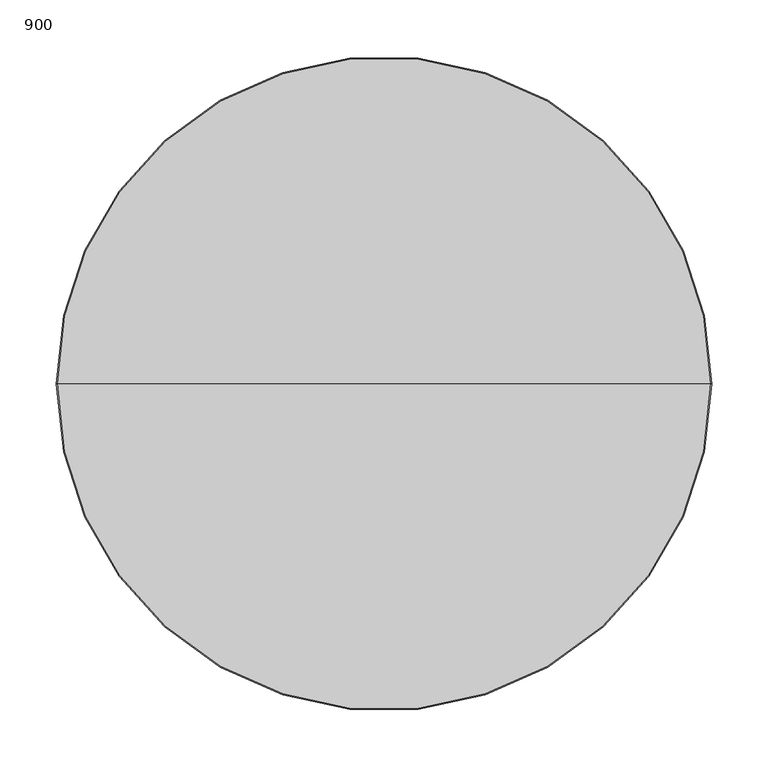
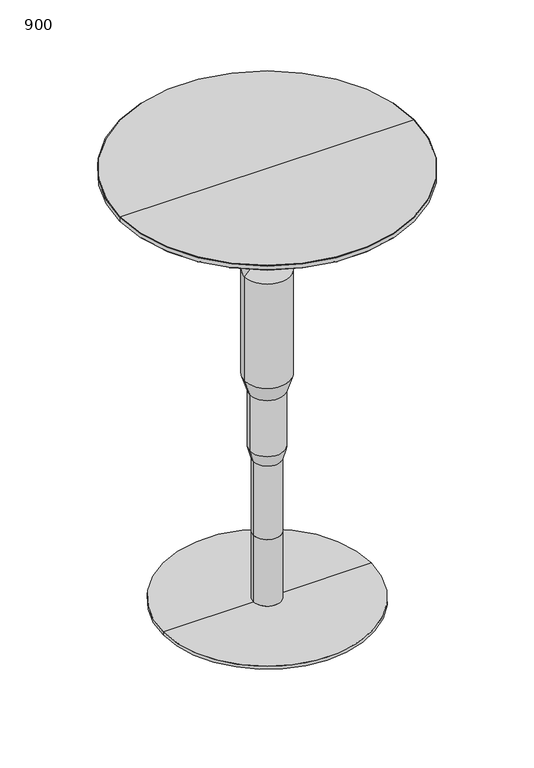
"""IFC4 building model written with IfcOpenShell, lengths in millimetres: furniture geometry, 900."""

import ifcopenshell
import ifcopenshell.guid

model = None  # the IFC model being written
_history = None  # IfcOwnerHistory: only IFC2X3 demands one
_inside = {}  # id of a spatial element -> (the spatial element, [elements in it])
_under = {}  # id of a project, library or spatial element -> (it, [spatial elements below it])
_declared = {}  # id of a project -> (the project, [libraries it declares])
_typed = {}  # id of a type object -> (the type object, [elements of that type])
_made_of = {}  # id of a material, layer set ... -> (it, [elements and type objects made of it])


def new_model(schema):
    """Start an empty IFC model of exactly this schema.

    Asked for "IFC4X3", IfcOpenShell would pick the latest addendum, in which some entities
    have other attributes; the version numbers below select the first issue.
    IFC2X3 requires an IfcOwnerHistory on every rooted entity: one is made here for all.
    """
    global model, _history
    if schema == "IFC4X3":
        model = ifcopenshell.file(schema_version=(4, 3, 0, 0))
    else:
        model = ifcopenshell.file(schema=schema)
    _inside.clear()
    _under.clear()
    _declared.clear()
    _typed.clear()
    _made_of.clear()
    _history = None
    if model.schema == "IFC2X3":
        org = make("IfcOrganization", Name="unknown")
        user = make(
            "IfcPersonAndOrganization",
            ThePerson=make("IfcPerson", FamilyName="unknown"),
            TheOrganization=org,
        )
        app = make(
            "IfcApplication",
            ApplicationDeveloper=org,
            Version="unknown",
            ApplicationFullName="unknown",
            ApplicationIdentifier="unknown",
        )
        _history = make(
            "IfcOwnerHistory",
            OwningUser=user,
            OwningApplication=app,
            ChangeAction="ADDED",
            CreationDate=0,
        )
    return model


def make(cls, **values):
    """One entity of the class cls with the attributes given. An attribute that is None is left unset."""
    return model.create_entity(
        cls, **{name: value for name, value in values.items() if value is not None}
    )


def rooted(cls, **values):
    """An entity with a GlobalId (a new one), such as an element, a storey or a relation."""
    return make(cls, GlobalId=ifcopenshell.guid.new(), OwnerHistory=_history, **values)


def si_unit(unit_type, name, prefix=None):
    """IfcSIUnit, for example si_unit("LENGTHUNIT", "METRE", prefix="MILLI")."""
    return make("IfcSIUnit", UnitType=unit_type, Prefix=prefix, Name=name)


def assignment(units):
    """IfcUnitAssignment: the units of a project."""
    return None if units is None else make("IfcUnitAssignment", Units=units)


def point(xyz):
    """IfcCartesianPoint."""
    return None if xyz is None else make("IfcCartesianPoint", Coordinates=xyz)


def direction(xyz):
    """IfcDirection."""
    return None if xyz is None else make("IfcDirection", DirectionRatios=xyz)


def frame(location, z_axis=None, x_axis=None):
    """IfcAxis2Placement3D, a coordinate frame: its origin and axes. An axis left out is left unset."""
    return make(
        "IfcAxis2Placement3D",
        Location=point(location),
        Axis=direction(z_axis),
        RefDirection=direction(x_axis),
    )


def origin():
    """The frame at (0, 0, 0) with its axes left unset."""
    return frame((0.0, 0.0, 0.0))


def place(relative_to, where):
    """IfcLocalPlacement: puts the frame where relative to a parent placement (None: the world)."""
    return make(
        "IfcLocalPlacement", PlacementRelTo=relative_to, RelativePlacement=where
    )


def context(
    kind, dimensions, precision=None, world=None, true_north=None, identifier=None
):
    """IfcGeometricRepresentationContext, for example the 3D "Model" context."""
    return make(
        "IfcGeometricRepresentationContext",
        ContextIdentifier=identifier,
        ContextType=kind,
        CoordinateSpaceDimension=dimensions,
        Precision=precision,
        WorldCoordinateSystem=world,
        TrueNorth=true_north,
    )


def project(units=None, contexts=None):
    """IfcProject with its units and contexts."""
    return rooted(
        "IfcProject",
        Name="project",
        RepresentationContexts=contexts,
        UnitsInContext=assignment(units),
    )


def spatial(cls, under=None, at=None, **own):
    """A site, building, storey or space (cls), placed at a placement, below another one or the project."""
    s = rooted(cls, ObjectPlacement=at, **own)
    if under is not None:
        _under.setdefault(under.id(), (under, []))[1].append(s)
    return s


def polyline(points):
    """IfcPolyline through the points."""
    return make("IfcPolyline", Points=[point(p) for p in points])


def circle_curve(where, radius):
    """IfcCircle in the frame where."""
    return make("IfcCircle", Position=where, Radius=radius)


def shape(context_of_items, identifier, shape_type, items):
    """IfcShapeRepresentation: the items that make up one representation, for example the "Body"."""
    return make(
        "IfcShapeRepresentation",
        ContextOfItems=context_of_items,
        RepresentationIdentifier=identifier,
        RepresentationType=shape_type,
        Items=items,
    )


def source(mapping_origin, context_of_items, identifier, shape_type, items):
    """IfcRepresentationMap: a shape defined once, which mapped items show again and again."""
    return make(
        "IfcRepresentationMap",
        MappingOrigin=mapping_origin,
        MappedRepresentation=shape(context_of_items, identifier, shape_type, items),
    )


def transform(
    local_origin,
    x_axis=None,
    y_axis=None,
    z_axis=None,
    scale=None,
    scale2=None,
    scale3=None,
    uniform=True,
):
    """IfcCartesianTransformationOperator3D, or its non-uniform kind. x_axis, y_axis, z_axis: its Axis1, 2, 3."""
    if uniform:
        return make(
            "IfcCartesianTransformationOperator3D",
            Axis1=direction(x_axis),
            Axis2=direction(y_axis),
            LocalOrigin=point(local_origin),
            Scale=scale,
            Axis3=direction(z_axis),
        )
    return make(
        "IfcCartesianTransformationOperator3DnonUniform",
        Axis1=direction(x_axis),
        Axis2=direction(y_axis),
        LocalOrigin=point(local_origin),
        Scale=scale,
        Axis3=direction(z_axis),
        Scale2=scale2,
        Scale3=scale3,
    )


def mapped(mapping_source, mapping_target):
    """IfcMappedItem: shows the shape of a source again, moved by a transform."""
    return make(
        "IfcMappedItem", MappingSource=mapping_source, MappingTarget=mapping_target
    )


def made_of(thing, what):
    """Note that an element or type object is made of a material, layer set ...; save() writes the relation."""
    if what is not None:
        _made_of.setdefault(what.id(), (what, []))[1].append(thing)
    return thing


def element(
    cls,
    number,
    at=None,
    inside=None,
    cuts=None,
    type_object=None,
    material=None,
    context=None,
    identifier="Body",
    shape_type=None,
    held_by="IfcProductDefinitionShape",
    body=None,
    shapes=None,
    **own,
):
    """One element of the class cls, such as IfcWall. Its Tag is "e" and its number.

    at: its placement. inside: the storey or other place that contains it. cuts: it is an
    opening in that element (IfcRelVoidsElement). A single representation is given by context,
    identifier, shape_type and body (its items); several are given by shapes. held_by: the class
    of the entity that holds the representations. save() writes the other relations.
    """
    e = rooted(cls, Tag="e%d" % number, ObjectPlacement=at, **own)
    if body is not None:
        shapes = [shape(context, identifier, shape_type, body)]
    if shapes is not None:
        e.Representation = make(held_by, Representations=shapes)
    if inside is not None:
        _inside.setdefault(inside.id(), (inside, []))[1].append(e)
    if cuts is not None:
        rooted(
            "IfcRelVoidsElement", RelatingBuildingElement=cuts, RelatedOpeningElement=e
        )
    if type_object is not None:
        _typed.setdefault(type_object.id(), (type_object, []))[1].append(e)
    return made_of(e, material)


def aggregate(whole, parts):
    """IfcRelAggregates: a whole, such as a stair, and the parts it consists of."""
    return rooted("IfcRelAggregates", RelatingObject=whole, RelatedObjects=parts)


def save(model, path):
    """Write the relations noted so far, then the file.

    IfcRelAggregates (storeys below a building ...), IfcRelContainedInSpatialStructure (elements
    in a storey), IfcRelDefinesByType, IfcRelAssociatesMaterial and IfcRelDeclares: one each for
    every whole, place, type object, material and project.
    """
    for whole, parts in _under.values():
        aggregate(whole, parts)
    for where, things in _inside.values():
        rooted(
            "IfcRelContainedInSpatialStructure",
            RelatedElements=things,
            RelatingStructure=where,
        )
    for kind, things in _typed.values():
        rooted("IfcRelDefinesByType", RelatedObjects=things, RelatingType=kind)
    for what, things in _made_of.values():
        rooted("IfcRelAssociatesMaterial", RelatedObjects=things, RelatingMaterial=what)
    for by, libraries in _declared.values():
        rooted("IfcRelDeclares", RelatingContext=by, RelatedDefinitions=libraries)
    model.write(path)


def plane_surface(at):
    """IfcPlane: the flat surface through the origin of the frame at, square to its z axis."""
    return make("IfcPlane", Position=at)


def cylinder_surface(at, radius):
    """IfcCylindricalSurface: all points at the distance radius from the z axis of the frame at."""
    return make("IfcCylindricalSurface", Position=at, Radius=radius)


def revolved_surface(curve, axis_point, axis_direction):
    """IfcSurfaceOfRevolution: the curve turned about the line through axis_point along axis_direction."""
    return make(
        "IfcSurfaceOfRevolution",
        SweptCurve=make("IfcArbitraryOpenProfileDef", ProfileType="CURVE", Curve=curve),
        AxisPosition=make("IfcAxis1Placement", Location=point(axis_point), Axis=direction(axis_direction)),
    )


def advanced_brep(points, edges, surfaces, faces):
    """IfcAdvancedBrep: a solid bounded by faces that lie on surfaces and meet in shared edges.

    An edge is (start, end): straight between two places in points (the first is 0);
    or (start, end, curve); or (start, end, curve, False) where it runs against its curve.
    A face is (place in surfaces, loops), or (place, loops, False) where it looks against
    its surface's normal. A loop lists edges by number (the first is 1), with a minus sign
    where the edge is run from its end to its start. The first loop is the outer one.
    """
    corners = [point(p) for p in points]
    vertices = [make("IfcVertexPoint", VertexGeometry=c) for c in corners]
    made = []
    for start, end, *more in edges:
        made.append(
            make(
                "IfcEdgeCurve",
                EdgeStart=vertices[start],
                EdgeEnd=vertices[end],
                EdgeGeometry=more[0] if more else make("IfcPolyline", Points=[corners[start], corners[end]]),
                SameSense=more[1] if len(more) > 1 else True,
            )
        )
    hull = []
    for where, loops, *sense in faces:
        bounds = []
        for j, loop in enumerate(loops):
            ring = [make("IfcOrientedEdge", EdgeElement=made[abs(k) - 1], Orientation=k > 0) for k in loop]
            bounds.append(
                make(
                    "IfcFaceOuterBound" if j == 0 else "IfcFaceBound",
                    Bound=make("IfcEdgeLoop", EdgeList=ring),
                    Orientation=True,
                )
            )
        hull.append(make("IfcAdvancedFace", Bounds=bounds, FaceSurface=surfaces[where], SameSense=sense[0] if sense else True))
    return make("IfcAdvancedBrep", Outer=make("IfcClosedShell", CfsFaces=hull))


def furniture_900_7a10cb57(model_context):
    return source(origin(), model_context, "Body", "AdvancedBrep", [
        advanced_brep(
        [(27.0000008, 0.0, 145.4999867), (-27.0000008, 0.0, 145.4999867), (-27.0000008, 0.0, 297.9529876), (27.0000008, 0.0, 297.9529876), (0.0, 0.0, 145.4999867), (26.9979314, 0.0, 786.0132547), (-26.9979314, 0.0, 786.0132547), (0.0, 0.0, 786.0132547), (26.9979314, 0.0, 707.9097019), (-26.9979314, 0.0, 707.9097019), (44.9886258, 0.0, 689.9190074), (-44.9886258, 0.0, 689.9190074), (44.9886258, 0.0, 472.893331), (-44.9886258, 0.0, 472.893331), (33.9943125, 0.0, 439.9103912), (-33.9943125, 0.0, 439.9103912), (33.9943125, 0.0, 322.9019473), (-33.9943125, 0.0, 322.9019473)],
        [
            (0, 1, circle_curve(frame((0.0, 0.0, 145.4999867), z_axis=(0.0, 0.0, 1.0), x_axis=(-1.0, 0.0, 0.0)), 27.0000008)),
            (1, 2),
            (2, 3, circle_curve(frame((0.0, 0.0, 297.9529876), z_axis=(0.0, 0.0, -1.0), x_axis=(-1.0, 0.0, 0.0)), 27.0000008)),
            (3, 0),
            (1, 0, circle_curve(frame((0.0, 0.0, 145.4999867), z_axis=(0.0, 0.0, 1.0), x_axis=(-1.0, 0.0, 0.0)), 27.0000008)),
            (3, 2, circle_curve(frame((0.0, 0.0, 297.9529876), z_axis=(0.0, 0.0, -1.0), x_axis=(-1.0, 0.0, 0.0)), 27.0000008)),
            (4, 1),
            (0, 4),
            (5, 6, circle_curve(frame((0.0, 0.0, 786.0132547), z_axis=(0.0, 0.0, 1.0), x_axis=(-1.0, 0.0, 0.0)), 26.9979314)),
            (6, 7),
            (7, 5),
            (6, 5, circle_curve(frame((0.0, 0.0, 786.0132547), z_axis=(0.0, 0.0, 1.0), x_axis=(-1.0, 0.0, 0.0)), 26.9979314)),
            (8, 9, circle_curve(frame((0.0, 0.0, 707.9097019), z_axis=(0.0, 0.0, 1.0), x_axis=(-1.0, 0.0, 0.0)), 26.9979314)),
            (9, 6),
            (5, 8),
            (9, 8, circle_curve(frame((0.0, 0.0, 707.9097019), z_axis=(0.0, 0.0, 1.0), x_axis=(-1.0, 0.0, 0.0)), 26.9979314)),
            (10, 11, circle_curve(frame((0.0, 0.0, 689.9190074), z_axis=(0.0, 0.0, 1.0), x_axis=(-1.0, 0.0, 0.0)), 44.9886258)),
            (11, 9),
            (8, 10),
            (11, 10, circle_curve(frame((0.0, 0.0, 689.9190074), z_axis=(0.0, 0.0, 1.0), x_axis=(-1.0, 0.0, 0.0)), 44.9886258)),
            (12, 13, circle_curve(frame((0.0, 0.0, 472.893331), z_axis=(0.0, 0.0, 1.0), x_axis=(-1.0, 0.0, 0.0)), 44.9886258)),
            (13, 11),
            (10, 12),
            (13, 12, circle_curve(frame((0.0, 0.0, 472.893331), z_axis=(0.0, 0.0, 1.0), x_axis=(-1.0, 0.0, 0.0)), 44.9886258)),
            (14, 15, circle_curve(frame((0.0, 0.0, 439.9103912), z_axis=(0.0, 0.0, 1.0), x_axis=(-1.0, 0.0, 0.0)), 33.9943125)),
            (15, 13),
            (12, 14),
            (15, 14, circle_curve(frame((0.0, 0.0, 439.9103912), z_axis=(0.0, 0.0, 1.0), x_axis=(-1.0, 0.0, 0.0)), 33.9943125)),
            (16, 17, circle_curve(frame((0.0, 0.0, 322.9019473), z_axis=(0.0, 0.0, 1.0), x_axis=(-1.0, 0.0, 0.0)), 33.9943125)),
            (17, 15),
            (14, 16),
            (17, 16, circle_curve(frame((0.0, 0.0, 322.9019473), z_axis=(0.0, 0.0, 1.0), x_axis=(-1.0, 0.0, 0.0)), 33.9943125)),
            (2, 17),
            (16, 3),
        ],
        [
            cylinder_surface(frame((0.0, 0.0, 145.4999867), z_axis=(0.0, 0.0, -1.0), x_axis=(-1.0, 0.0, 0.0)), 27.0000008),
            plane_surface(frame((0.0, 0.0, 145.4999867), z_axis=(0.0, 0.0, -1.0), x_axis=(-1.0, 0.0, 0.0))),
            plane_surface(frame((0.0, 0.0, 786.0132547), z_axis=(0.0, 0.0, 1.0), x_axis=(-1.0, 0.0, 0.0))),
            cylinder_surface(frame((0.0, 0.0, 145.4999867), z_axis=(0.0, 0.0, -1.0), x_axis=(-1.0, 0.0, 0.0)), 26.9979314),
            revolved_surface(polyline([(-26.9979314, 0.0, 707.9097019), (-44.9886258, 0.0, 689.9190074)]), (0.0, 0.0, 145.4999867), (0.0, 0.0, -1.0)),
            cylinder_surface(frame((0.0, 0.0, 145.4999867), z_axis=(0.0, 0.0, -1.0), x_axis=(-1.0, 0.0, 0.0)), 44.9886258),
            revolved_surface(polyline([(-44.9886258, 0.0, 472.893331), (-33.9943125, 0.0, 439.9103912)]), (0.0, 0.0, 145.4999867), (0.0, 0.0, -1.0)),
            cylinder_surface(frame((0.0, 0.0, 145.4999867), z_axis=(0.0, 0.0, -1.0), x_axis=(-1.0, 0.0, 0.0)), 33.9943125),
            revolved_surface(polyline([(-33.9943125, 0.0, 322.9019473), (-27.0000008, 0.0, 297.9529876)]), (0.0, 0.0, 145.4999867), (0.0, 0.0, -1.0)),
        ],
        [
            (0, [[1, 2, 3, 4]]),
            (0, [[5, -4, 6, -2]]),
            (1, [[7, -1, 8]]),
            (1, [[-8, -5, -7]]),
            (2, [[9, 10, 11]]),
            (2, [[12, -11, -10]]),
            (3, [[13, 14, -9, 15]]),
            (3, [[16, -15, -12, -14]]),
            (4, [[17, 18, -13, 19]]),
            (4, [[20, -19, -16, -18]]),
            (5, [[21, 22, -17, 23]]),
            (5, [[24, -23, -20, -22]]),
            (6, [[25, 26, -21, 27]]),
            (6, [[28, -27, -24, -26]]),
            (7, [[29, 30, -25, 31]]),
            (7, [[32, -31, -28, -30]]),
            (8, [[-3, 33, -29, 34]]),
            (8, [[-6, -34, -32, -33]]),
        ],
    ),
        advanced_brep(
        [(0.0, 0.0, 786.0132547), (-27.0000008, 0.0, 786.0132547), (27.0000008, 0.0, 786.0132547), (289.0000015, 0.0, 900.013273), (-289.0000015, 0.0, 900.013273), (0.0, 0.0, 900.013273), (289.9999774, 0.0, 899.0132972), (-289.9999774, 0.0, 899.0132972), (289.9999774, 0.0, 890.9985626), (-289.9999774, 0.0, 890.9985626), (289.0147168, 0.0, 890.013302), (-289.0147168, 0.0, 890.013302), (125.000001, 0.0, 890.013302), (-125.000001, 0.0, 890.013302), (125.000001, 0.0, 886.0131828), (-125.000001, 0.0, 886.0131828), (27.0000008, 0.0, 886.0131828), (-27.0000008, 0.0, 886.0131828)],
        [
            (0, 1),
            (1, 2, circle_curve(frame((0.0, 0.0, 786.0132547), z_axis=(0.0, 0.0, -1.0), x_axis=(-1.0, 0.0, 0.0)), 27.0000008)),
            (2, 0),
            (2, 1, circle_curve(frame((0.0, 0.0, 786.0132547), z_axis=(0.0, 0.0, -1.0), x_axis=(-1.0, 0.0, 0.0)), 27.0000008)),
            (3, 4, circle_curve(frame((0.0, 0.0, 900.013273), z_axis=(0.0, 0.0, 1.0), x_axis=(-1.0, 0.0, 0.0)), 289.0000015)),
            (4, 5),
            (5, 3),
            (4, 3, circle_curve(frame((0.0, 0.0, 900.013273), z_axis=(0.0, 0.0, 1.0), x_axis=(-1.0, 0.0, 0.0)), 289.0000015)),
            (6, 7, circle_curve(frame((0.0, 0.0, 899.0132972), z_axis=(0.0, 0.0, 1.0), x_axis=(-1.0, 0.0, 0.0)), 289.9999774)),
            (7, 4),
            (3, 6),
            (7, 6, circle_curve(frame((0.0, 0.0, 899.0132972), z_axis=(0.0, 0.0, 1.0), x_axis=(-1.0, 0.0, 0.0)), 289.9999774)),
            (8, 9, circle_curve(frame((0.0, 0.0, 890.9985626), z_axis=(0.0, 0.0, 1.0), x_axis=(-1.0, 0.0, 0.0)), 289.9999774)),
            (9, 7),
            (6, 8),
            (9, 8, circle_curve(frame((0.0, 0.0, 890.9985626), z_axis=(0.0, 0.0, 1.0), x_axis=(-1.0, 0.0, 0.0)), 289.9999774)),
            (10, 11, circle_curve(frame((0.0, 0.0, 890.013302), z_axis=(0.0, 0.0, 1.0), x_axis=(-1.0, 0.0, 0.0)), 289.0147168)),
            (11, 9),
            (8, 10),
            (11, 10, circle_curve(frame((0.0, 0.0, 890.013302), z_axis=(0.0, 0.0, 1.0), x_axis=(-1.0, 0.0, 0.0)), 289.0147168)),
            (12, 13, circle_curve(frame((0.0, 0.0, 890.013302), z_axis=(0.0, 0.0, 1.0), x_axis=(-1.0, 0.0, 0.0)), 125.000001)),
            (13, 11),
            (10, 12),
            (13, 12, circle_curve(frame((0.0, 0.0, 890.013302), z_axis=(0.0, 0.0, 1.0), x_axis=(-1.0, 0.0, 0.0)), 125.000001)),
            (14, 15, circle_curve(frame((0.0, 0.0, 886.0131828), z_axis=(0.0, 0.0, 1.0), x_axis=(-1.0, 0.0, 0.0)), 125.000001)),
            (15, 13),
            (12, 14),
            (15, 14, circle_curve(frame((0.0, 0.0, 886.0131828), z_axis=(0.0, 0.0, 1.0), x_axis=(-1.0, 0.0, 0.0)), 125.000001)),
            (16, 17, circle_curve(frame((0.0, 0.0, 886.0131828), z_axis=(0.0, 0.0, 1.0), x_axis=(-1.0, 0.0, 0.0)), 27.0000008)),
            (17, 15),
            (14, 16),
            (17, 16, circle_curve(frame((0.0, 0.0, 886.0131828), z_axis=(0.0, 0.0, 1.0), x_axis=(-1.0, 0.0, 0.0)), 27.0000008)),
            (1, 17),
            (16, 2),
        ],
        [
            plane_surface(frame((0.0, 0.0, 786.0132547), z_axis=(0.0, 0.0, -1.0), x_axis=(-1.0, 0.0, 0.0))),
            plane_surface(frame((0.0, 0.0, 900.013273), z_axis=(0.0, 0.0, 1.0), x_axis=(-1.0, 0.0, 0.0))),
            revolved_surface(polyline([(-289.0000015, 0.0, 900.013273), (-289.9999774, 0.0, 899.0132972)]), (0.0, 0.0, 779.6632547), (0.0, 0.0, -1.0)),
            cylinder_surface(frame((0.0, 0.0, 779.6632547), z_axis=(0.0, 0.0, -1.0), x_axis=(-1.0, 0.0, 0.0)), 289.9999774),
            revolved_surface(polyline([(-289.9999774, 0.0, 890.9985626), (-289.0147168, 0.0, 890.013302)]), (0.0, 0.0, 779.6632547), (0.0, 0.0, -1.0)),
            plane_surface(frame((0.0, 0.0, 890.013302), z_axis=(0.0, 0.0, -1.0), x_axis=(-1.0, 0.0, 0.0))),
            cylinder_surface(frame((0.0, 0.0, 779.6632547), z_axis=(0.0, 0.0, -1.0), x_axis=(-1.0, 0.0, 0.0)), 125.000001),
            plane_surface(frame((0.0, 0.0, 886.0131828), z_axis=(0.0, 0.0, -1.0), x_axis=(-1.0, 0.0, 0.0))),
            cylinder_surface(frame((0.0, 0.0, 779.6632547), z_axis=(0.0, 0.0, -1.0), x_axis=(-1.0, 0.0, 0.0)), 27.0000008),
        ],
        [
            (0, [[1, 2, 3]]),
            (0, [[-3, 4, -1]]),
            (1, [[5, 6, 7]]),
            (1, [[8, -7, -6]]),
            (2, [[9, 10, -5, 11]]),
            (2, [[12, -11, -8, -10]]),
            (3, [[13, 14, -9, 15]]),
            (3, [[16, -15, -12, -14]]),
            (4, [[17, 18, -13, 19]]),
            (4, [[20, -19, -16, -18]]),
            (5, [[21, 22, -17, 23]]),
            (5, [[24, -23, -20, -22]]),
            (6, [[25, 26, -21, 27]]),
            (6, [[28, -27, -24, -26]]),
            (7, [[29, 30, -25, 31]]),
            (7, [[32, -31, -28, -30]]),
            (8, [[-2, 33, -29, 34]]),
            (8, [[-4, -34, -32, -33]]),
        ],
    ),
        advanced_brep(
        [(0.0, 0.0, 0.0), (-205.0000052, 0.0, 0.0), (205.0000052, 0.0, 0.0), (27.0000008, 0.0, 145.4999867), (-27.0000008, 0.0, 145.4999867), (0.0, 0.0, 145.4999867), (27.0000008, 0.0, 6.9129723), (-27.0000008, 0.0, 6.9129723), (26.0876426, 0.0, 6.9129723), (-26.0876426, 0.0, 6.9129723), (26.0876426, 0.0, 5.9999964), (-26.0876426, 0.0, 5.9999964), (205.0000052, 0.0, 5.9999964), (-205.0000052, 0.0, 5.9999964)],
        [
            (0, 1),
            (1, 2, circle_curve(frame((0.0, 0.0, 0.0), z_axis=(0.0, 0.0, -1.0), x_axis=(-1.0, 0.0, 0.0)), 205.0000052)),
            (2, 0),
            (2, 1, circle_curve(frame((0.0, 0.0, 0.0), z_axis=(0.0, 0.0, -1.0), x_axis=(-1.0, 0.0, 0.0)), 205.0000052)),
            (3, 4, circle_curve(frame((0.0, 0.0, 145.4999867), z_axis=(0.0, 0.0, 1.0), x_axis=(-1.0, 0.0, 0.0)), 27.0000008)),
            (4, 5),
            (5, 3),
            (4, 3, circle_curve(frame((0.0, 0.0, 145.4999867), z_axis=(0.0, 0.0, 1.0), x_axis=(-1.0, 0.0, 0.0)), 27.0000008)),
            (6, 7, circle_curve(frame((0.0, 0.0, 6.9129723), z_axis=(0.0, 0.0, 1.0), x_axis=(-1.0, 0.0, 0.0)), 27.0000008)),
            (7, 4),
            (3, 6),
            (7, 6, circle_curve(frame((0.0, 0.0, 6.9129723), z_axis=(0.0, 0.0, 1.0), x_axis=(-1.0, 0.0, 0.0)), 27.0000008)),
            (8, 9, circle_curve(frame((0.0, 0.0, 6.9129723), z_axis=(0.0, 0.0, 1.0), x_axis=(-1.0, 0.0, 0.0)), 26.0876426)),
            (9, 7),
            (6, 8),
            (9, 8, circle_curve(frame((0.0, 0.0, 6.9129723), z_axis=(0.0, 0.0, 1.0), x_axis=(-1.0, 0.0, 0.0)), 26.0876426)),
            (10, 11, circle_curve(frame((0.0, 0.0, 5.9999964), z_axis=(0.0, 0.0, 1.0), x_axis=(-1.0, 0.0, 0.0)), 26.0876426)),
            (11, 9),
            (8, 10),
            (11, 10, circle_curve(frame((0.0, 0.0, 5.9999964), z_axis=(0.0, 0.0, 1.0), x_axis=(-1.0, 0.0, 0.0)), 26.0876426)),
            (12, 13, circle_curve(frame((0.0, 0.0, 5.9999964), z_axis=(0.0, 0.0, 1.0), x_axis=(-1.0, 0.0, 0.0)), 205.0000052)),
            (13, 11),
            (10, 12),
            (13, 12, circle_curve(frame((0.0, 0.0, 5.9999964), z_axis=(0.0, 0.0, 1.0), x_axis=(-1.0, 0.0, 0.0)), 205.0000052)),
            (1, 13),
            (12, 2),
        ],
        [
            plane_surface(frame((0.0, 0.0, 0.0), z_axis=(0.0, 0.0, -1.0), x_axis=(-1.0, 0.0, 0.0))),
            plane_surface(frame((0.0, 0.0, 145.4999867), z_axis=(0.0, 0.0, 1.0), x_axis=(-1.0, 0.0, 0.0))),
            cylinder_surface(frame((0.0, 0.0, -19.05), z_axis=(0.0, 0.0, -1.0), x_axis=(-1.0, 0.0, 0.0)), 27.0000008),
            plane_surface(frame((0.0, 0.0, 6.9129723), z_axis=(0.0, 0.0, -1.0), x_axis=(-1.0, 0.0, 0.0))),
            cylinder_surface(frame((0.0, 0.0, -19.05), z_axis=(0.0, 0.0, -1.0), x_axis=(-1.0, 0.0, 0.0)), 26.0876426),
            plane_surface(frame((0.0, 0.0, 5.9999964), z_axis=(0.0, 0.0, 1.0), x_axis=(-1.0, 0.0, 0.0))),
            cylinder_surface(frame((0.0, 0.0, -19.05), z_axis=(0.0, 0.0, -1.0), x_axis=(-1.0, 0.0, 0.0)), 205.0000052),
        ],
        [
            (0, [[1, 2, 3]]),
            (0, [[-3, 4, -1]]),
            (1, [[5, 6, 7]]),
            (1, [[8, -7, -6]]),
            (2, [[9, 10, -5, 11]]),
            (2, [[12, -11, -8, -10]]),
            (3, [[13, 14, -9, 15]]),
            (3, [[16, -15, -12, -14]]),
            (4, [[17, 18, -13, 19]]),
            (4, [[20, -19, -16, -18]]),
            (5, [[21, 22, -17, 23]]),
            (5, [[24, -23, -20, -22]]),
            (6, [[-2, 25, -21, 26]]),
            (6, [[-4, -26, -24, -25]]),
        ],
    ),
    ])


if __name__ == "__main__":
    model = new_model("IFC4")
    model_context = context("Model", 3, world=origin())
    ifc_project = project(units=[si_unit("LENGTHUNIT", "METRE", prefix="MILLI")], contexts=[model_context])
    site = spatial("IfcSite", under=ifc_project)
    building = spatial("IfcBuilding", under=site)
    placement = place(None, origin())
    furniture_900_shape = furniture_900_7a10cb57(model_context)
    element("IfcFurniture", 1, ObjectType="900", at=placement, inside=building, context=model_context, shape_type="MappedRepresentation", body=[
        mapped(furniture_900_shape, transform((0.0, 0.0, 0.0), x_axis=(1.0, 0.0, 0.0), y_axis=(0.0, 1.0, 0.0), z_axis=(0.0, 0.0, 1.0))),
    ])
    save(model, "model.ifc")
